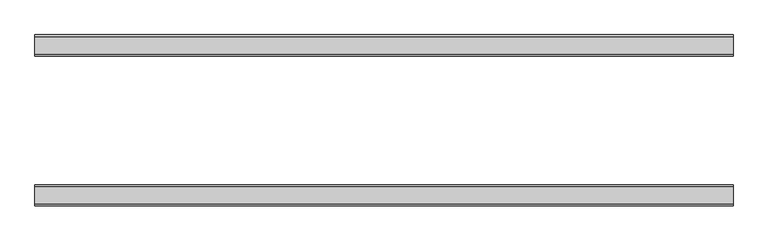
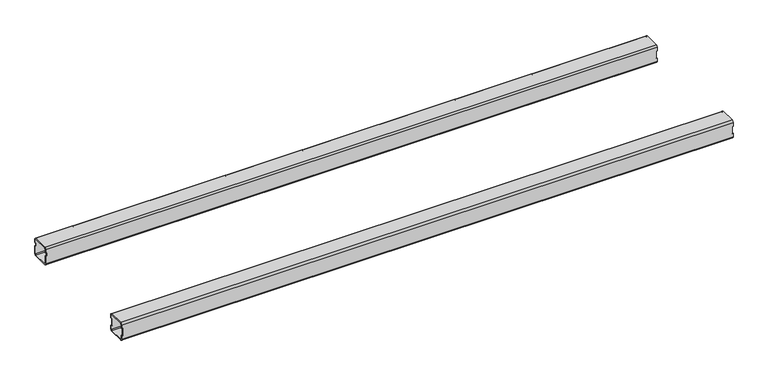
"""IFC4 building model written with IfcOpenShell, lengths in millimetres: furniture geometry."""

from ifc_helpers import new_model, si_unit, frame, origin, place, context, project, spatial, polyline, circle_curve, source, transform, mapped, element, save
from ifc_brep_helpers import plane_surface, cylinder_surface, revolved_surface, advanced_brep


def furniture_75bd38a3(model_context):
    return source(origin(), model_context, "Body", "AdvancedBrep", [
        advanced_brep(
        [(-2465.051278, -436.5, 675.576), (-2465.051278, -440.5, 671.576), (-2465.051278, -472.5, 671.576), (-2465.051278, -476.5, 675.576), (-2465.051278, -476.5, 683.076), (-2465.051278, -474.5, 683.076), (-2465.051278, -474.5, 675.576), (-2465.051278, -472.5, 673.576), (-2465.051278, -440.5, 673.576), (-2465.051278, -438.5, 675.576), (-2465.051278, -438.5, 683.076), (-2465.051278, -436.5, 683.076), (-2465.051278, -472.5, 711.2), (-2465.051278, -440.5, 711.2), (-2465.051278, -436.5, 707.2), (-2465.051278, -436.5, 699.7), (-2465.051278, -438.5, 699.7), (-2465.051278, -438.5, 707.2), (-2465.051278, -440.5, 709.2), (-2465.051278, -472.5, 709.2), (-2465.051278, -474.5, 707.2), (-2465.051278, -474.5, 699.7), (-2465.051278, -476.5, 699.7), (-2465.051278, -476.5, 707.2), (-1156.062278, -476.5, 675.576), (-1156.062278, -472.5, 671.576), (-1156.062278, -440.5, 671.576), (-1156.062278, -436.5, 675.576), (-1156.062278, -436.5, 683.076), (-1156.062278, -438.5, 683.076), (-1156.062278, -438.5, 675.576), (-1156.062278, -440.5, 673.576), (-1156.062278, -472.5, 673.576), (-1156.062278, -474.5, 675.576), (-1156.062278, -474.5, 683.076), (-1156.062278, -476.5, 683.076), (-1156.062278, -472.5, 711.2), (-1156.062278, -476.5, 707.2), (-1156.062278, -476.5, 699.7), (-1156.062278, -474.5, 699.7), (-1156.062278, -474.5, 707.2), (-1156.062278, -472.5, 709.2), (-1156.062278, -440.5, 709.2), (-1156.062278, -438.5, 707.2), (-1156.062278, -438.5, 699.7), (-1156.062278, -436.5, 699.7), (-1156.062278, -436.5, 707.2), (-1156.062278, -440.5, 711.2), (-1157.427278, -476.5, 683.076), (-1158.062278, -476.5, 683.711), (-1158.062278, -476.5, 699.065), (-1157.427278, -476.5, 699.7), (-2463.686278, -476.5, 699.7), (-2463.051278, -476.5, 699.065), (-2463.051278, -476.5, 683.711), (-2463.686278, -476.5, 683.076), (-1157.427278, -436.5, 699.7), (-1158.062278, -436.5, 699.065), (-1158.062278, -436.5, 683.711), (-1157.427278, -436.5, 683.076), (-2463.686278, -436.5, 683.076), (-2463.051278, -436.5, 683.711), (-2463.051278, -436.5, 699.065), (-2463.686278, -436.5, 699.7), (-1157.427278, -438.5, 683.076), (-1158.062278, -438.5, 683.711), (-1158.062278, -438.5, 699.065), (-1157.427278, -438.5, 699.7), (-2463.686278, -438.5, 699.7), (-2463.051278, -438.5, 699.065), (-2463.051278, -438.5, 683.711), (-2463.686278, -438.5, 683.076), (-1157.427278, -474.5, 699.7), (-1158.062278, -474.5, 699.065), (-1158.062278, -474.5, 683.711), (-1157.427278, -474.5, 683.076), (-2463.686278, -474.5, 683.076), (-2463.051278, -474.5, 683.711), (-2463.051278, -474.5, 699.065), (-2463.686278, -474.5, 699.7)],
        [
            (0, 1, circle_curve(frame((-2465.051278, -440.5, 675.576), z_axis=(-1.0, 0.0, 0.0), x_axis=(0.0, 1.0, 0.0)), 4.0)),
            (1, 2),
            (2, 3, circle_curve(frame((-2465.051278, -472.5, 675.576), z_axis=(-1.0, 0.0, 0.0), x_axis=(0.0, 1.0, 0.0)), 4.0)),
            (3, 4),
            (4, 5),
            (5, 6),
            (6, 7, circle_curve(frame((-2465.051278, -472.5, 675.576), z_axis=(1.0, 0.0, 0.0), x_axis=(0.0, 1.0, 0.0)), 2.0)),
            (7, 8),
            (8, 9, circle_curve(frame((-2465.051278, -440.5, 675.576), z_axis=(1.0, 0.0, 0.0), x_axis=(0.0, 1.0, 0.0)), 2.0)),
            (9, 10),
            (10, 11),
            (11, 0),
            (12, 13),
            (13, 14, circle_curve(frame((-2465.051278, -440.5, 707.2), z_axis=(-1.0, 0.0, 0.0), x_axis=(0.0, 1.0, 0.0)), 4.0)),
            (14, 15),
            (15, 16),
            (16, 17),
            (17, 18, circle_curve(frame((-2465.051278, -440.5, 707.2), z_axis=(1.0, 0.0, 0.0), x_axis=(0.0, 1.0, 0.0)), 2.0)),
            (18, 19),
            (19, 20, circle_curve(frame((-2465.051278, -472.5, 707.2), z_axis=(1.0, 0.0, 0.0), x_axis=(0.0, 1.0, 0.0)), 2.0)),
            (20, 21),
            (21, 22),
            (22, 23),
            (23, 12, circle_curve(frame((-2465.051278, -472.5, 707.2), z_axis=(-1.0, 0.0, 0.0), x_axis=(0.0, 1.0, 0.0)), 4.0)),
            (24, 25, circle_curve(frame((-1156.062278, -472.5, 675.576), z_axis=(1.0, 0.0, 0.0), x_axis=(0.0, 1.0, 0.0)), 4.0)),
            (25, 26),
            (26, 27, circle_curve(frame((-1156.062278, -440.5, 675.576), z_axis=(1.0, 0.0, 0.0), x_axis=(0.0, 1.0, 0.0)), 4.0)),
            (27, 28),
            (28, 29),
            (29, 30),
            (30, 31, circle_curve(frame((-1156.062278, -440.5, 675.576), z_axis=(-1.0, 0.0, 0.0), x_axis=(0.0, 1.0, 0.0)), 2.0)),
            (31, 32),
            (32, 33, circle_curve(frame((-1156.062278, -472.5, 675.576), z_axis=(-1.0, 0.0, 0.0), x_axis=(0.0, 1.0, 0.0)), 2.0)),
            (33, 34),
            (34, 35),
            (35, 24),
            (36, 37, circle_curve(frame((-1156.062278, -472.5, 707.2), z_axis=(1.0, 0.0, 0.0), x_axis=(0.0, 1.0, 0.0)), 4.0)),
            (37, 38),
            (38, 39),
            (39, 40),
            (40, 41, circle_curve(frame((-1156.062278, -472.5, 707.2), z_axis=(-1.0, 0.0, 0.0), x_axis=(0.0, 1.0, 0.0)), 2.0)),
            (41, 42),
            (42, 43, circle_curve(frame((-1156.062278, -440.5, 707.2), z_axis=(-1.0, 0.0, 0.0), x_axis=(0.0, 1.0, 0.0)), 2.0)),
            (43, 44),
            (44, 45),
            (45, 46),
            (46, 47, circle_curve(frame((-1156.062278, -440.5, 707.2), z_axis=(1.0, 0.0, 0.0), x_axis=(0.0, 1.0, 0.0)), 4.0)),
            (47, 36),
            (12, 36),
            (47, 13),
            (3, 24),
            (35, 48),
            (48, 49, circle_curve(frame((-1157.427278, -476.5, 683.711), z_axis=(0.0, 1.0, 0.0), x_axis=(0.0, 0.0, -1.0)), 0.635)),
            (49, 50),
            (50, 51, circle_curve(frame((-1157.427278, -476.5, 699.065), z_axis=(0.0, 1.0, 0.0), x_axis=(0.0, 0.0, -1.0)), 0.635)),
            (51, 38),
            (37, 23),
            (22, 52),
            (52, 53, circle_curve(frame((-2463.686278, -476.5, 699.065), z_axis=(0.0, 1.0, 0.0), x_axis=(0.0, 0.0, -1.0)), 0.635)),
            (53, 54),
            (54, 55, circle_curve(frame((-2463.686278, -476.5, 683.711), z_axis=(0.0, 1.0, 0.0), x_axis=(0.0, 0.0, -1.0)), 0.635)),
            (55, 4),
            (1, 26),
            (25, 2),
            (14, 46),
            (45, 56),
            (56, 57, circle_curve(frame((-1157.427278, -436.5, 699.065), z_axis=(0.0, -1.0, 0.0), x_axis=(0.0, 0.0, -1.0)), 0.635)),
            (57, 58),
            (58, 59, circle_curve(frame((-1157.427278, -436.5, 683.711), z_axis=(0.0, -1.0, 0.0), x_axis=(0.0, 0.0, -1.0)), 0.635)),
            (59, 28),
            (27, 0),
            (11, 60),
            (60, 61, circle_curve(frame((-2463.686278, -436.5, 683.711), z_axis=(0.0, -1.0, 0.0), x_axis=(0.0, 0.0, -1.0)), 0.635)),
            (61, 62),
            (62, 63, circle_curve(frame((-2463.686278, -436.5, 699.065), z_axis=(0.0, -1.0, 0.0), x_axis=(0.0, 0.0, -1.0)), 0.635)),
            (63, 15),
            (9, 30),
            (29, 64),
            (64, 65, circle_curve(frame((-1157.427278, -438.5, 683.711), z_axis=(0.0, 1.0, 0.0), x_axis=(0.0, 0.0, -1.0)), 0.635)),
            (65, 66),
            (66, 67, circle_curve(frame((-1157.427278, -438.5, 699.065), z_axis=(0.0, 1.0, 0.0), x_axis=(0.0, 0.0, -1.0)), 0.635)),
            (67, 44),
            (43, 17),
            (16, 68),
            (68, 69, circle_curve(frame((-2463.686278, -438.5, 699.065), z_axis=(0.0, 1.0, 0.0), x_axis=(0.0, 0.0, -1.0)), 0.635)),
            (69, 70),
            (70, 71, circle_curve(frame((-2463.686278, -438.5, 683.711), z_axis=(0.0, 1.0, 0.0), x_axis=(0.0, 0.0, -1.0)), 0.635)),
            (71, 10),
            (7, 32),
            (31, 8),
            (20, 40),
            (39, 72),
            (72, 73, circle_curve(frame((-1157.427278, -474.5, 699.065), z_axis=(0.0, -1.0, 0.0), x_axis=(0.0, 0.0, -1.0)), 0.635)),
            (73, 74),
            (74, 75, circle_curve(frame((-1157.427278, -474.5, 683.711), z_axis=(0.0, -1.0, 0.0), x_axis=(0.0, 0.0, -1.0)), 0.635)),
            (75, 34),
            (33, 6),
            (5, 76),
            (76, 77, circle_curve(frame((-2463.686278, -474.5, 683.711), z_axis=(0.0, -1.0, 0.0), x_axis=(0.0, 0.0, -1.0)), 0.635)),
            (77, 78),
            (78, 79, circle_curve(frame((-2463.686278, -474.5, 699.065), z_axis=(0.0, -1.0, 0.0), x_axis=(0.0, 0.0, -1.0)), 0.635)),
            (79, 21),
            (18, 42),
            (41, 19),
            (63, 68),
            (79, 52),
            (71, 60),
            (55, 76),
            (70, 61),
            (54, 77),
            (69, 62),
            (53, 78),
            (67, 56),
            (51, 72),
            (59, 64),
            (75, 48),
            (58, 65),
            (74, 49),
            (57, 66),
            (73, 50),
        ],
        [
            plane_surface(frame((-2465.051278, -440.5, 711.2), z_axis=(-1.0, 0.0, 0.0), x_axis=(0.0, 1.0, 0.0))),
            plane_surface(frame((-1156.062278, -440.5, 711.2), z_axis=(1.0, 0.0, 0.0), x_axis=(0.0, -1.0, 0.0))),
            plane_surface(frame((-2465.051278, -472.5, 711.2), z_axis=(0.0, 0.0, 1.0), x_axis=(1.0, 0.0, 0.0))),
            plane_surface(frame((-2465.051278, -476.5, 675.576), z_axis=(0.0, -1.0, -2.129420680589156e-12), x_axis=(1.0, 0.0, 0.0))),
            plane_surface(frame((-2465.051278, -440.5, 671.576), z_axis=(0.0, -1.8188783812477237e-12, -1.0), x_axis=(1.0, 0.0, 0.0))),
            plane_surface(frame((-2465.051278, -436.5, 707.2), z_axis=(0.0, 1.0, 0.0), x_axis=(1.0, 0.0, 0.0))),
            plane_surface(frame((-2465.051278, -438.5, 675.576), z_axis=(0.0, -1.0, 0.0), x_axis=(1.0, 0.0, 0.0))),
            plane_surface(frame((-2465.051278, -472.5, 673.576), z_axis=(0.0, 0.0, 1.0), x_axis=(1.0, 0.0, 0.0))),
            plane_surface(frame((-2465.051278, -474.5, 707.2), z_axis=(0.0, 1.0, 1.7955617598143294e-12), x_axis=(1.0, 0.0, 0.0))),
            plane_surface(frame((-2465.051278, -440.5, 709.2), z_axis=(0.0, -2.1192048116285935e-12, -1.0), x_axis=(1.0, 0.0, 0.0))),
            cylinder_surface(frame((-1156.062278, -472.5, 707.2), z_axis=(-1.0, 0.0, 0.0), x_axis=(0.0, 1.0, 0.0)), 4.0),
            cylinder_surface(frame((-1156.062278, -472.5, 675.576), z_axis=(-1.0, 0.0, 0.0), x_axis=(0.0, 1.0, 0.0)), 4.0),
            cylinder_surface(frame((-1156.062278, -440.5, 675.576), z_axis=(-1.0, 0.0, 0.0), x_axis=(0.0, 1.0, 0.0)), 4.0),
            cylinder_surface(frame((-1156.062278, -440.5, 707.2), z_axis=(-1.0, 0.0, 0.0), x_axis=(0.0, 1.0, 0.0)), 4.0),
            revolved_surface(polyline([(-1156.062278, -438.5, 707.2), (-2465.051278, -438.5, 707.2)]), (-1328.941356, -440.5, 707.2), (1.0, 0.0, 0.0)),
            revolved_surface(polyline([(-1156.062278, -438.5, 675.576), (-2465.051278, -438.5, 675.576)]), (-1328.941356, -440.5, 675.576), (1.0, 0.0, 0.0)),
            revolved_surface(polyline([(-1156.062278, -470.5, 675.576), (-2465.051278, -470.5, 675.576)]), (-1328.941356, -472.5, 675.576), (1.0, 0.0, 0.0)),
            revolved_surface(polyline([(-1156.062278, -470.5, 707.2), (-2465.051278, -470.5, 707.2)]), (-1328.941356, -472.5, 707.2), (1.0, 0.0, 0.0)),
            plane_surface(frame((-2463.686278, -476.5, 699.7), z_axis=(0.0, 0.0, -1.0), x_axis=(0.0, 1.0, 0.0))),
            plane_surface(frame((-2465.051278, -476.5, 683.076), z_axis=(0.0, 0.0, 1.0), x_axis=(0.0, 1.0, 0.0))),
            revolved_surface(polyline([(-2463.686278, -438.5, 683.076), (-2463.686278, -436.5, 683.076)]), (-2463.686278, -436.5, 683.711), (0.0, -1.0, 0.0)),
            revolved_surface(polyline([(-2463.686278, -476.5, 683.076), (-2463.686278, -474.5, 683.076)]), (-2463.686278, -436.5, 683.711), (0.0, -1.0, 0.0)),
            plane_surface(frame((-2463.051278, -476.5, 683.711), z_axis=(-1.0, 0.0, 3.244228731727812e-12), x_axis=(0.0, 1.0, 0.0))),
            revolved_surface(polyline([(-2463.686278, -438.5, 698.4300000000001), (-2463.686278, -436.5, 698.4300000000001)]), (-2463.686278, -436.5, 699.065), (0.0, -1.0, 0.0)),
            revolved_surface(polyline([(-2463.686278, -476.5, 698.4300000000001), (-2463.686278, -474.5, 698.4300000000001)]), (-2463.686278, -436.5, 699.065), (0.0, -1.0, 0.0)),
            plane_surface(frame((-1156.062278, -476.5, 699.7), z_axis=(-1.150298415755112e-11, 0.0, -1.0), x_axis=(0.0, 1.0, 0.0))),
            plane_surface(frame((-1157.427278, -476.5, 683.076), z_axis=(6.951372323285398e-11, 0.0, 1.0), x_axis=(0.0, 1.0, 0.0))),
            revolved_surface(polyline([(-1157.427278, -438.5, 683.076), (-1157.427278, -436.5, 683.076)]), (-1157.427278, -436.5, 683.711), (0.0, -1.0, 0.0)),
            revolved_surface(polyline([(-1157.427278, -476.5, 683.076), (-1157.427278, -474.5, 683.076)]), (-1157.427278, -436.5, 683.711), (0.0, -1.0, 0.0)),
            plane_surface(frame((-1158.062278, -476.5, 699.065), z_axis=(1.0, 0.0, 0.0), x_axis=(0.0, 1.0, 0.0))),
            revolved_surface(polyline([(-1157.427278, -438.5, 698.4300000000001), (-1157.427278, -436.5, 698.4300000000001)]), (-1157.427278, -436.5, 699.065), (0.0, -1.0, 0.0)),
            revolved_surface(polyline([(-1157.427278, -476.5, 698.4300000000001), (-1157.427278, -474.5, 698.4300000000001)]), (-1157.427278, -436.5, 699.065), (0.0, -1.0, 0.0)),
        ],
        [
            (0, [[1, 2, 3, 4, 5, 6, 7, 8, 9, 10, 11, 12]]),
            (0, [[13, 14, 15, 16, 17, 18, 19, 20, 21, 22, 23, 24]]),
            (1, [[25, 26, 27, 28, 29, 30, 31, 32, 33, 34, 35, 36]]),
            (1, [[37, 38, 39, 40, 41, 42, 43, 44, 45, 46, 47, 48]]),
            (2, [[-13, 49, -48, 50]]),
            (3, [[51, -36, 52, 53, 54, 55, 56, -38, 57, -23, 58, 59, 60, 61, 62, -4]]),
            (4, [[-2, 63, -26, 64]]),
            (5, [[65, -46, 66, 67, 68, 69, 70, -28, 71, -12, 72, 73, 74, 75, 76, -15]]),
            (6, [[77, -30, 78, 79, 80, 81, 82, -44, 83, -17, 84, 85, 86, 87, 88, -10]]),
            (7, [[-8, 89, -32, 90]]),
            (8, [[91, -40, 92, 93, 94, 95, 96, -34, 97, -6, 98, 99, 100, 101, 102, -21]]),
            (9, [[-19, 103, -42, 104]]),
            (10, [[-24, -57, -37, -49]]),
            (11, [[-3, -64, -25, -51]]),
            (12, [[-1, -71, -27, -63]]),
            (13, [[-14, -50, -47, -65]]),
            (14, [[-18, -83, -43, -103]]),
            (15, [[-9, -90, -31, -77]]),
            (16, [[-7, -97, -33, -89]]),
            (17, [[-20, -104, -41, -91]]),
            (18, [[105, -84, -16, -76]]),
            (18, [[106, -58, -22, -102]]),
            (19, [[107, -72, -11, -88]]),
            (19, [[108, -98, -5, -62]]),
            (20, [[-107, -87, 109, -73]]),
            (21, [[-108, -61, 110, -99]]),
            (22, [[-109, -86, 111, -74]]),
            (22, [[-110, -60, 112, -100]]),
            (23, [[-105, -75, -111, -85]]),
            (24, [[-106, -101, -112, -59]]),
            (25, [[113, -66, -45, -82]]),
            (25, [[114, -92, -39, -56]]),
            (26, [[115, -78, -29, -70]]),
            (26, [[116, -52, -35, -96]]),
            (27, [[-115, -69, 117, -79]]),
            (28, [[-116, -95, 118, -53]]),
            (29, [[-117, -68, 119, -80]]),
            (29, [[-118, -94, 120, -54]]),
            (30, [[-119, -67, -113, -81]]),
            (31, [[-120, -93, -114, -55]]),
        ],
    ),
        advanced_brep(
        [(-2465.051278, -155.0, 675.576), (-2465.051278, -159.0, 671.576), (-2465.051278, -191.0, 671.576), (-2465.051278, -195.0, 675.576), (-2465.051278, -195.0, 692.7), (-2465.051278, -193.0, 692.7), (-2465.051278, -193.0, 675.576), (-2465.051278, -191.0, 673.576), (-2465.051278, -159.0, 673.576), (-2465.051278, -157.0, 675.576), (-2465.051278, -157.0, 692.7), (-2465.051278, -155.0, 692.7), (-2465.051278, -159.0, 711.2), (-2465.051278, -155.0, 707.2), (-2465.051278, -155.0, 699.7), (-2465.051278, -157.0, 699.7), (-2465.051278, -157.0, 707.2), (-2465.051278, -159.0, 709.2), (-2465.051278, -191.0, 709.2), (-2465.051278, -193.0, 707.2), (-2465.051278, -193.0, 699.7), (-2465.051278, -195.0, 699.7), (-2465.051278, -195.0, 707.2), (-2465.051278, -191.0, 711.2), (-1156.062278, -195.0, 675.576), (-1156.062278, -191.0, 671.576), (-1156.062278, -159.0, 671.576), (-1156.062278, -155.0, 675.576), (-1156.062278, -155.0, 683.076), (-1156.062278, -157.0, 683.076), (-1156.062278, -157.0, 675.576), (-1156.062278, -159.0, 673.576), (-1156.062278, -191.0, 673.576), (-1156.062278, -193.0, 675.576), (-1156.062278, -193.0, 683.076), (-1156.062278, -195.0, 683.076), (-1156.062278, -159.0, 711.2), (-1156.062278, -191.0, 711.2), (-1156.062278, -195.0, 707.2), (-1156.062278, -195.0, 699.7), (-1156.062278, -193.0, 699.7), (-1156.062278, -193.0, 707.2), (-1156.062278, -191.0, 709.2), (-1156.062278, -159.0, 709.2), (-1156.062278, -157.0, 707.2), (-1156.062278, -157.0, 699.7), (-1156.062278, -155.0, 699.7), (-1156.062278, -155.0, 707.2), (-1157.427278, -155.0, 699.7), (-1158.062278, -155.0, 699.065), (-1158.062278, -155.0, 683.711), (-1157.427278, -155.0, 683.076), (-2463.686278, -155.0, 692.7), (-2463.051278, -155.0, 693.335), (-2463.051278, -155.0, 699.065), (-2463.686278, -155.0, 699.7), (-1157.427278, -195.0, 683.076), (-1158.062278, -195.0, 683.711), (-1158.062278, -195.0, 699.065), (-1157.427278, -195.0, 699.7), (-2463.686278, -195.0, 699.7), (-2463.051278, -195.0, 699.065), (-2463.051278, -195.0, 693.335), (-2463.686278, -195.0, 692.7), (-1157.427278, -193.0, 699.7), (-1158.062278, -193.0, 699.065), (-1158.062278, -193.0, 683.711), (-1157.427278, -193.0, 683.076), (-2463.686278, -193.0, 692.7), (-2463.051278, -193.0, 693.335), (-2463.051278, -193.0, 699.065), (-2463.686278, -193.0, 699.7), (-1157.427278, -157.0, 683.076), (-1158.062278, -157.0, 683.711), (-1158.062278, -157.0, 699.065), (-1157.427278, -157.0, 699.7), (-2463.686278, -157.0, 699.7), (-2463.051278, -157.0, 699.065), (-2463.051278, -157.0, 693.335), (-2463.686278, -157.0, 692.7)],
        [
            (0, 1, circle_curve(frame((-2465.051278, -159.0, 675.576), z_axis=(-1.0, 0.0, 0.0), x_axis=(0.0, -1.0, 0.0)), 4.0)),
            (1, 2),
            (2, 3, circle_curve(frame((-2465.051278, -191.0, 675.576), z_axis=(-1.0, 0.0, 0.0), x_axis=(0.0, -1.0, 0.0)), 4.0)),
            (3, 4),
            (4, 5),
            (5, 6),
            (6, 7, circle_curve(frame((-2465.051278, -191.0, 675.576), z_axis=(1.0, 0.0, 0.0), x_axis=(0.0, -1.0, 0.0)), 2.0)),
            (7, 8),
            (8, 9, circle_curve(frame((-2465.051278, -159.0, 675.576), z_axis=(1.0, 0.0, 0.0), x_axis=(0.0, -1.0, 0.0)), 2.0)),
            (9, 10),
            (10, 11),
            (11, 0),
            (12, 13, circle_curve(frame((-2465.051278, -159.0, 707.2), z_axis=(-1.0, 0.0, 0.0), x_axis=(0.0, -1.0, 0.0)), 4.0)),
            (13, 14),
            (14, 15),
            (15, 16),
            (16, 17, circle_curve(frame((-2465.051278, -159.0, 707.2), z_axis=(1.0, 0.0, 0.0), x_axis=(0.0, -1.0, 0.0)), 2.0)),
            (17, 18),
            (18, 19, circle_curve(frame((-2465.051278, -191.0, 707.2), z_axis=(1.0, 0.0, 0.0), x_axis=(0.0, -1.0, 0.0)), 2.0)),
            (19, 20),
            (20, 21),
            (21, 22),
            (22, 23, circle_curve(frame((-2465.051278, -191.0, 707.2), z_axis=(-1.0, 0.0, 0.0), x_axis=(0.0, -1.0, 0.0)), 4.0)),
            (23, 12),
            (24, 25, circle_curve(frame((-1156.062278, -191.0, 675.576), z_axis=(1.0, 0.0, 0.0), x_axis=(0.0, -1.0, 0.0)), 4.0)),
            (25, 26),
            (26, 27, circle_curve(frame((-1156.062278, -159.0, 675.576), z_axis=(1.0, 0.0, 0.0), x_axis=(0.0, -1.0, 0.0)), 4.0)),
            (27, 28),
            (28, 29),
            (29, 30),
            (30, 31, circle_curve(frame((-1156.062278, -159.0, 675.576), z_axis=(-1.0, 0.0, 0.0), x_axis=(0.0, -1.0, 0.0)), 2.0)),
            (31, 32),
            (32, 33, circle_curve(frame((-1156.062278, -191.0, 675.576), z_axis=(-1.0, 0.0, 0.0), x_axis=(0.0, -1.0, 0.0)), 2.0)),
            (33, 34),
            (34, 35),
            (35, 24),
            (36, 37),
            (37, 38, circle_curve(frame((-1156.062278, -191.0, 707.2), z_axis=(1.0, 0.0, 0.0), x_axis=(0.0, -1.0, 0.0)), 4.0)),
            (38, 39),
            (39, 40),
            (40, 41),
            (41, 42, circle_curve(frame((-1156.062278, -191.0, 707.2), z_axis=(-1.0, 0.0, 0.0), x_axis=(0.0, -1.0, 0.0)), 2.0)),
            (42, 43),
            (43, 44, circle_curve(frame((-1156.062278, -159.0, 707.2), z_axis=(-1.0, 0.0, 0.0), x_axis=(0.0, -1.0, 0.0)), 2.0)),
            (44, 45),
            (45, 46),
            (46, 47),
            (47, 36, circle_curve(frame((-1156.062278, -159.0, 707.2), z_axis=(1.0, 0.0, 0.0), x_axis=(0.0, -1.0, 0.0)), 4.0)),
            (23, 37),
            (36, 12),
            (13, 47),
            (46, 48),
            (48, 49, circle_curve(frame((-1157.427278, -155.0, 699.065), z_axis=(0.0, -1.0, 0.0), x_axis=(0.0, 0.0, -1.0)), 0.635)),
            (49, 50),
            (50, 51, circle_curve(frame((-1157.427278, -155.0, 683.711), z_axis=(0.0, -1.0, 0.0), x_axis=(0.0, 0.0, -1.0)), 0.635)),
            (51, 28),
            (27, 0),
            (11, 52),
            (52, 53, circle_curve(frame((-2463.686278, -155.0, 693.335), z_axis=(0.0, -1.0, 0.0), x_axis=(0.0, 0.0, -1.0)), 0.635)),
            (53, 54),
            (54, 55, circle_curve(frame((-2463.686278, -155.0, 699.065), z_axis=(0.0, -1.0, 0.0), x_axis=(0.0, 0.0, -1.0)), 0.635)),
            (55, 14),
            (1, 26),
            (25, 2),
            (3, 24),
            (35, 56),
            (56, 57, circle_curve(frame((-1157.427278, -195.0, 683.711), z_axis=(0.0, 1.0, 0.0), x_axis=(0.0, 0.0, -1.0)), 0.635)),
            (57, 58),
            (58, 59, circle_curve(frame((-1157.427278, -195.0, 699.065), z_axis=(0.0, 1.0, 0.0), x_axis=(0.0, 0.0, -1.0)), 0.635)),
            (59, 39),
            (38, 22),
            (21, 60),
            (60, 61, circle_curve(frame((-2463.686278, -195.0, 699.065), z_axis=(0.0, 1.0, 0.0), x_axis=(0.0, 0.0, -1.0)), 0.635)),
            (61, 62),
            (62, 63, circle_curve(frame((-2463.686278, -195.0, 693.335), z_axis=(0.0, 1.0, 0.0), x_axis=(0.0, 0.0, -1.0)), 0.635)),
            (63, 4),
            (19, 41),
            (40, 64),
            (64, 65, circle_curve(frame((-1157.427278, -193.0, 699.065), z_axis=(0.0, -1.0, 0.0), x_axis=(0.0, 0.0, -1.0)), 0.635)),
            (65, 66),
            (66, 67, circle_curve(frame((-1157.427278, -193.0, 683.711), z_axis=(0.0, -1.0, 0.0), x_axis=(0.0, 0.0, -1.0)), 0.635)),
            (67, 34),
            (33, 6),
            (5, 68),
            (68, 69, circle_curve(frame((-2463.686278, -193.0, 693.335), z_axis=(0.0, -1.0, 0.0), x_axis=(0.0, 0.0, -1.0)), 0.635)),
            (69, 70),
            (70, 71, circle_curve(frame((-2463.686278, -193.0, 699.065), z_axis=(0.0, -1.0, 0.0), x_axis=(0.0, 0.0, -1.0)), 0.635)),
            (71, 20),
            (7, 32),
            (31, 8),
            (9, 30),
            (29, 72),
            (72, 73, circle_curve(frame((-1157.427278, -157.0, 683.711), z_axis=(0.0, 1.0, 0.0), x_axis=(0.0, 0.0, -1.0)), 0.635)),
            (73, 74),
            (74, 75, circle_curve(frame((-1157.427278, -157.0, 699.065), z_axis=(0.0, 1.0, 0.0), x_axis=(0.0, 0.0, -1.0)), 0.635)),
            (75, 45),
            (44, 16),
            (15, 76),
            (76, 77, circle_curve(frame((-2463.686278, -157.0, 699.065), z_axis=(0.0, 1.0, 0.0), x_axis=(0.0, 0.0, -1.0)), 0.635)),
            (77, 78),
            (78, 79, circle_curve(frame((-2463.686278, -157.0, 693.335), z_axis=(0.0, 1.0, 0.0), x_axis=(0.0, 0.0, -1.0)), 0.635)),
            (79, 10),
            (17, 43),
            (42, 18),
            (59, 64),
            (75, 48),
            (67, 56),
            (51, 72),
            (66, 57),
            (50, 73),
            (65, 58),
            (49, 74),
            (71, 60),
            (55, 76),
            (63, 68),
            (79, 52),
            (62, 69),
            (78, 53),
            (61, 70),
            (77, 54),
        ],
        [
            plane_surface(frame((-2465.051278, -163.0, 707.2), z_axis=(-1.0, 0.0, 0.0), x_axis=(0.0, 0.0, 1.0))),
            plane_surface(frame((-1156.062278, -163.0, 707.2), z_axis=(1.0, 0.0, 0.0), x_axis=(0.0, 0.0, -1.0))),
            plane_surface(frame((-2465.051278, -191.0, 711.2), z_axis=(0.0, 0.0, 1.0), x_axis=(1.0, 0.0, 0.0))),
            plane_surface(frame((-2465.051278, -155.0, 707.2), z_axis=(0.0, 1.0, 0.0), x_axis=(1.0, 0.0, 0.0))),
            plane_surface(frame((-2465.051278, -159.0, 671.576), z_axis=(0.0, 0.0, -1.0), x_axis=(1.0, 0.0, 0.0))),
            plane_surface(frame((-2465.051278, -195.0, 675.576), z_axis=(0.0, -1.0, -5.217615697799246e-12), x_axis=(1.0, 0.0, 0.0))),
            plane_surface(frame((-2465.051278, -193.0, 707.2), z_axis=(0.0, 1.0, 0.0), x_axis=(1.0, 0.0, 0.0))),
            plane_surface(frame((-2465.051278, -191.0, 673.576), z_axis=(0.0, 5.194378260880819e-12, 1.0), x_axis=(1.0, 0.0, 0.0))),
            plane_surface(frame((-2465.051278, -157.0, 675.576), z_axis=(0.0, -1.0, 0.0), x_axis=(1.0, 0.0, 0.0))),
            plane_surface(frame((-2465.051278, -159.0, 709.2), z_axis=(0.0, 0.0, -1.0), x_axis=(1.0, 0.0, 0.0))),
            cylinder_surface(frame((-1156.062278, -191.0, 707.2), z_axis=(-1.0, 0.0, 0.0), x_axis=(0.0, -1.0, 0.0)), 4.0),
            cylinder_surface(frame((-1156.062278, -191.0, 675.576), z_axis=(-1.0, 0.0, 0.0), x_axis=(0.0, -1.0, 0.0)), 4.0),
            cylinder_surface(frame((-1156.062278, -159.0, 675.576), z_axis=(-1.0, 0.0, 0.0), x_axis=(0.0, -1.0, 0.0)), 4.0),
            cylinder_surface(frame((-1156.062278, -159.0, 707.2), z_axis=(-1.0, 0.0, 0.0), x_axis=(0.0, -1.0, 0.0)), 4.0),
            revolved_surface(polyline([(-1156.062278, -161.0, 707.2), (-2465.051278, -161.0, 707.2)]), (-1328.941356, -159.0, 707.2), (1.0, 0.0, 0.0)),
            revolved_surface(polyline([(-1156.062278, -161.0, 675.576), (-2465.051278, -161.0, 675.576)]), (-1328.941356, -159.0, 675.576), (1.0, 0.0, 0.0)),
            revolved_surface(polyline([(-1156.062278, -193.0, 675.576), (-2465.051278, -193.0, 675.576)]), (-1328.941356, -191.0, 675.576), (1.0, 0.0, 0.0)),
            revolved_surface(polyline([(-1156.062278, -193.0, 707.2), (-2465.051278, -193.0, 707.2)]), (-1328.941356, -191.0, 707.2), (1.0, 0.0, 0.0)),
            plane_surface(frame((-1157.427278, -155.0, 699.7), z_axis=(-1.4279566540389879e-11, 0.0, -1.0), x_axis=(0.0, -1.0, 0.0))),
            plane_surface(frame((-1156.062278, -155.0, 683.076), z_axis=(6.217561264872053e-11, 0.0, 1.0), x_axis=(0.0, -1.0, 0.0))),
            revolved_surface(polyline([(-1157.427278, -193.0, 683.076), (-1157.427278, -195.0, 683.076)]), (-1157.427278, -195.0, 683.711), (0.0, 1.0, 0.0)),
            revolved_surface(polyline([(-1157.427278, -155.0, 683.076), (-1157.427278, -157.0, 683.076)]), (-1157.427278, -195.0, 683.711), (0.0, 1.0, 0.0)),
            plane_surface(frame((-1158.062278, -155.0, 683.711), z_axis=(1.0, 0.0, 0.0), x_axis=(0.0, -1.0, 0.0))),
            revolved_surface(polyline([(-1157.427278, -193.0, 698.4300000000001), (-1157.427278, -195.0, 698.4300000000001)]), (-1157.427278, -195.0, 699.065), (0.0, 1.0, 0.0)),
            revolved_surface(polyline([(-1157.427278, -155.0, 698.4300000000001), (-1157.427278, -157.0, 698.4300000000001)]), (-1157.427278, -195.0, 699.065), (0.0, 1.0, 0.0)),
            plane_surface(frame((-2465.051278, -155.0, 699.7), z_axis=(0.0, 0.0, -1.0), x_axis=(0.0, -1.0, 0.0))),
            plane_surface(frame((-2463.686278, -155.0, 692.7), z_axis=(0.0, 0.0, 1.0), x_axis=(0.0, -1.0, 0.0))),
            revolved_surface(polyline([(-2463.686278, -193.0, 692.7), (-2463.686278, -195.0, 692.7)]), (-2463.686278, -195.0, 693.335), (0.0, 1.0, 0.0)),
            revolved_surface(polyline([(-2463.686278, -155.0, 692.7), (-2463.686278, -157.0, 692.7)]), (-2463.686278, -195.0, 693.335), (0.0, 1.0, 0.0)),
            plane_surface(frame((-2463.051278, -155.0, 699.065), z_axis=(-1.0, 0.0, 0.0), x_axis=(0.0, -1.0, 0.0))),
            revolved_surface(polyline([(-2463.686278, -193.0, 698.4300000000001), (-2463.686278, -195.0, 698.4300000000001)]), (-2463.686278, -195.0, 699.065), (0.0, 1.0, 0.0)),
            revolved_surface(polyline([(-2463.686278, -155.0, 698.4300000000001), (-2463.686278, -157.0, 698.4300000000001)]), (-2463.686278, -195.0, 699.065), (0.0, 1.0, 0.0)),
        ],
        [
            (0, [[1, 2, 3, 4, 5, 6, 7, 8, 9, 10, 11, 12]]),
            (0, [[13, 14, 15, 16, 17, 18, 19, 20, 21, 22, 23, 24]]),
            (1, [[25, 26, 27, 28, 29, 30, 31, 32, 33, 34, 35, 36]]),
            (1, [[37, 38, 39, 40, 41, 42, 43, 44, 45, 46, 47, 48]]),
            (2, [[-24, 49, -37, 50]]),
            (3, [[51, -47, 52, 53, 54, 55, 56, -28, 57, -12, 58, 59, 60, 61, 62, -14]]),
            (4, [[-2, 63, -26, 64]]),
            (5, [[65, -36, 66, 67, 68, 69, 70, -39, 71, -22, 72, 73, 74, 75, 76, -4]]),
            (6, [[77, -41, 78, 79, 80, 81, 82, -34, 83, -6, 84, 85, 86, 87, 88, -20]]),
            (7, [[-8, 89, -32, 90]]),
            (8, [[91, -30, 92, 93, 94, 95, 96, -45, 97, -16, 98, 99, 100, 101, 102, -10]]),
            (9, [[-18, 103, -43, 104]]),
            (10, [[-23, -71, -38, -49]]),
            (11, [[-3, -64, -25, -65]]),
            (12, [[-1, -57, -27, -63]]),
            (13, [[-13, -50, -48, -51]]),
            (14, [[-17, -97, -44, -103]]),
            (15, [[-9, -90, -31, -91]]),
            (16, [[-7, -83, -33, -89]]),
            (17, [[-19, -104, -42, -77]]),
            (18, [[105, -78, -40, -70]]),
            (18, [[106, -52, -46, -96]]),
            (19, [[107, -66, -35, -82]]),
            (19, [[108, -92, -29, -56]]),
            (20, [[-107, -81, 109, -67]]),
            (21, [[-108, -55, 110, -93]]),
            (22, [[-109, -80, 111, -68]]),
            (22, [[-110, -54, 112, -94]]),
            (23, [[-105, -69, -111, -79]]),
            (24, [[-106, -95, -112, -53]]),
            (25, [[113, -72, -21, -88]]),
            (25, [[114, -98, -15, -62]]),
            (26, [[115, -84, -5, -76]]),
            (26, [[116, -58, -11, -102]]),
            (27, [[-115, -75, 117, -85]]),
            (28, [[-116, -101, 118, -59]]),
            (29, [[-117, -74, 119, -86]]),
            (29, [[-118, -100, 120, -60]]),
            (30, [[-119, -73, -113, -87]]),
            (31, [[-120, -99, -114, -61]]),
        ],
    ),
    ])


if __name__ == "__main__":
    model = new_model("IFC4")
    model_context = context("Model", 3, world=origin())
    ifc_project = project(units=[si_unit("LENGTHUNIT", "METRE", prefix="MILLI")], contexts=[model_context])
    site = spatial("IfcSite", under=ifc_project)
    building = spatial("IfcBuilding", under=site)
    placement = place(None, origin())
    furniture_shape = furniture_75bd38a3(model_context)
    element("IfcFurniture", 1, at=placement, inside=building, context=model_context, shape_type="MappedRepresentation", body=[
        mapped(furniture_shape, transform((0.0, 0.0, 0.0), x_axis=(1.0, 0.0, 0.0), y_axis=(0.0, 1.0, 0.0), z_axis=(0.0, 0.0, 1.0))),
    ])
    save(model, "model.ifc")
